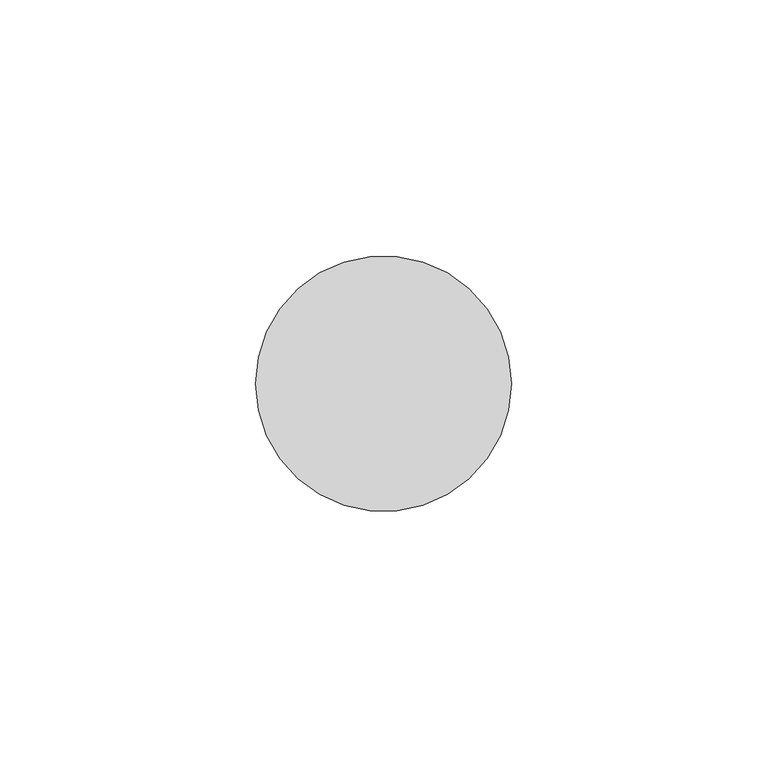
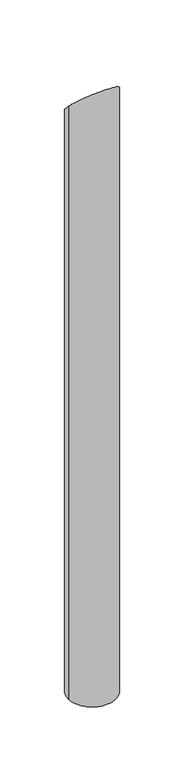
"""IFC4 building model written with IfcOpenShell, lengths in millimetres: member geometry."""

from ifc_helpers import new_model, si_unit, frame, origin, origin_with_axes, place, context, project, spatial, circle_curve, ellipse_curve, source, transform, mapped, element, save
from ifc_brep_helpers import plane_surface, cylinder_surface, advanced_brep


def member_0c44330b(model_context):
    return source(origin(), model_context, "Body", "AdvancedBrep", [
        advanced_brep(
        [(25.0, 0.0, -660.5), (-25.0, 0.0, -660.5), (-25.0, 0.0, 0.0), (25.0, 0.0, 0.0)],
        [
            (0, 1, circle_curve(frame((0.0, 0.0, -660.5), z_axis=(0.0, 0.0, -1.0), x_axis=(1.0, 0.0, 0.0)), 25.0)),
            (1, 0, circle_curve(frame((0.0, 0.0, -660.5), z_axis=(0.0, 0.0, -1.0), x_axis=(1.0, 0.0, 0.0)), 25.0)),
            (2, 3, ellipse_curve(frame((0.0, 0.0, 0.0), z_axis=(0.0, -0.7071067811865472, -0.7071067811865478), x_axis=(0.0, -0.7071067811865478, 0.7071067811865474)), 35.3553391, 25.0)),
            (3, 0),
            (1, 2),
            (3, 2, ellipse_curve(frame((0.0, 0.0, 0.0), z_axis=(0.0, -0.7071067811865472, -0.7071067811865478), x_axis=(0.0, -0.7071067811865478, 0.7071067811865474)), 35.3553391, 25.0)),
        ],
        [
            plane_surface(frame((0.0, -25.0, -660.5), z_axis=(0.0, 0.0, -1.0), x_axis=(-1.0, 0.0, 0.0))),
            cylinder_surface(origin_with_axes(), 25.0),
            plane_surface(frame((-304.8, 0.0, 0.0), z_axis=(0.0, 0.7071067811865472, 0.7071067811865478), x_axis=(0.0, 0.7071067811865478, -0.7071067811865472))),
        ],
        [
            (0, [[1, 2]]),
            (1, [[3, 4, -2, 5]]),
            (1, [[6, -5, -1, -4]]),
            (2, [[-3, -6]]),
        ],
    ),
    ])


if __name__ == "__main__":
    model = new_model("IFC4")
    model_context = context("Model", 3, world=origin())
    ifc_project = project(units=[si_unit("LENGTHUNIT", "METRE", prefix="MILLI")], contexts=[model_context])
    site = spatial("IfcSite", under=ifc_project)
    building = spatial("IfcBuilding", under=site)
    placement = place(None, origin())
    member_shape = member_0c44330b(model_context)
    element("IfcMember", 1, at=placement, inside=building, context=model_context, shape_type="MappedRepresentation", body=[
        mapped(member_shape, transform((0.0, 0.0, 0.0), x_axis=(1.0, 0.0, 0.0), y_axis=(0.0, 1.0, 0.0), z_axis=(0.0, 0.0, 1.0))),
    ])
    save(model, "model.ifc")
